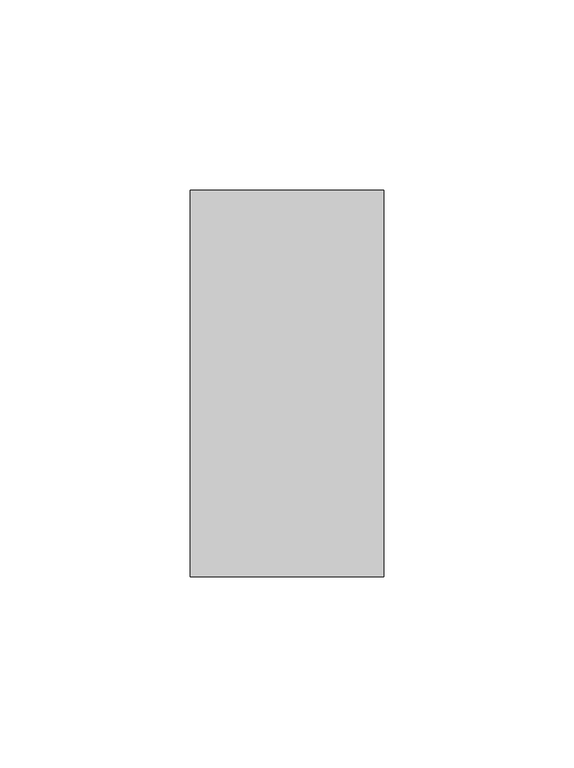
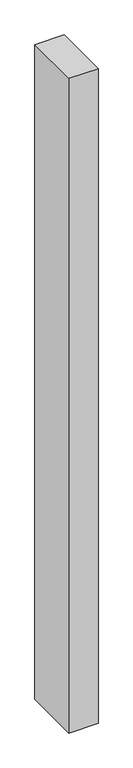
"""IFC4 building model written with IfcOpenShell, lengths in millimetres: proxy geometry."""

from ifc_helpers import new_model, si_unit, origin, origin_with_axes, place, context, project, spatial, polyline, outline, extrude, source, transform, mapped, element, save


def generic_models_4ec8de37(model_context):
    return source(origin(), model_context, "Body", "SweptSolid", [
        extrude(outline(polyline([(50.8, 0.0), (0.0, 0.0), (0.0, 101.6), (50.8, 101.6), (50.8, 0.0)])), origin_with_axes(), (0.0, 0.0, 1.0), 1200.0),
    ])


if __name__ == "__main__":
    model = new_model("IFC4")
    model_context = context("Model", 3, world=origin())
    ifc_project = project(units=[si_unit("LENGTHUNIT", "METRE", prefix="MILLI")], contexts=[model_context])
    site = spatial("IfcSite", under=ifc_project)
    building = spatial("IfcBuilding", under=site)
    placement = place(None, origin())
    generic_models_shape = generic_models_4ec8de37(model_context)
    element("IfcBuildingElementProxy", 1, Name="Generic Models", at=placement, inside=building, context=model_context, shape_type="MappedRepresentation", body=[
        mapped(generic_models_shape, transform((0.0, 0.0, 0.0), x_axis=(1.0, 0.0, 0.0), y_axis=(0.0, 1.0, 0.0), z_axis=(0.0, 0.0, 1.0))),
    ])
    save(model, "model.ifc")
